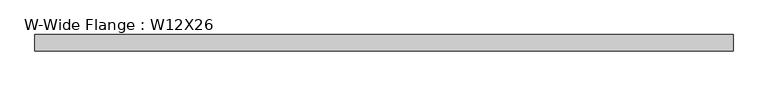
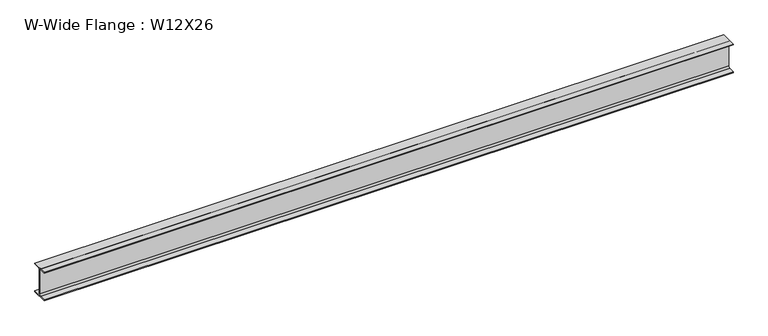
"""IFC4 building model written with IfcOpenShell, lengths in millimetres: beam geometry, W-Wide Flange : W12X26."""

from ifc_helpers import new_model, si_unit, point, frame, frame_2d, origin, place, context, project, spatial, polyline, circle_curve, trimmed, segment, composite_curve, outline, extrude, source, transform, mapped, element, save


def w_wide_flange_w12x26_c771f65e(model_context):
    return source(origin(), model_context, "Body", "SweptSolid", [
        extrude(outline(composite_curve([segment(polyline([(82.4011719, -145.5539063), (82.4011719, -155.178125), (-82.4011719, -155.178125), (-82.4011719, -145.5539063), (-20.2902344, -145.5539063)]), True, "CONTINUOUS"), segment(trimmed(circle_curve(frame_2d((-20.2902344, -128.190625)), 17.3632812), [point((-20.2902344, -145.5539063))], [point((-2.9269531, -128.190625))], True, "CARTESIAN"), True, "CONTINUOUS"), segment(polyline([(-2.9269531, -128.190625), (-2.9269531, 128.190625)]), True, "CONTINUOUS"), segment(trimmed(circle_curve(frame_2d((-20.2902344, 128.190625)), 17.3632812), [point((-2.9269531, 128.190625))], [point((-20.2902344, 145.5539062))], True, "CARTESIAN"), True, "CONTINUOUS"), segment(polyline([(-20.2902344, 145.5539062), (-82.4011719, 145.5539062), (-82.4011719, 155.178125), (82.4011719, 155.178125), (82.4011719, 145.5539062), (20.2902344, 145.5539062)]), True, "CONTINUOUS"), segment(trimmed(circle_curve(frame_2d((20.2902344, 128.190625)), 17.3632812), [point((20.2902344, 145.5539062))], [point((2.9269531, 128.190625))], True, "CARTESIAN"), True, "CONTINUOUS"), segment(polyline([(2.9269531, 128.190625), (2.9269531, -128.190625)]), True, "CONTINUOUS"), segment(trimmed(circle_curve(frame_2d((20.2902344, -128.190625)), 17.3632812), [point((2.9269531, -128.190625))], [point((20.2902344, -145.5539063))], True, "CARTESIAN"), True, "CONTINUOUS"), segment(polyline([(20.2902344, -145.5539063), (82.4011719, -145.5539063)]), True, "CONTINUOUS")], self_intersect=False)), frame((-3549.253125, 0.0, 0.0), z_axis=(1.0, 0.0, 0.0), x_axis=(0.0, 1.0, 0.0)), (0.0, 0.0, 1.0), 7111.7519531),
    ])


if __name__ == "__main__":
    model = new_model("IFC4")
    model_context = context("Model", 3, world=origin())
    ifc_project = project(units=[si_unit("LENGTHUNIT", "METRE", prefix="MILLI")], contexts=[model_context])
    site = spatial("IfcSite", under=ifc_project)
    building = spatial("IfcBuilding", under=site)
    placement = place(None, origin())
    w_wide_flange_w12x26_shape = w_wide_flange_w12x26_c771f65e(model_context)
    element("IfcBeam", 1, ObjectType="W-Wide Flange : W12X26", at=placement, inside=building, context=model_context, shape_type="MappedRepresentation", body=[
        mapped(w_wide_flange_w12x26_shape, transform((0.0, 0.0, 0.0), x_axis=(1.0, 0.0, 0.0), y_axis=(0.0, 1.0, 0.0), z_axis=(0.0, 0.0, 1.0))),
    ])
    save(model, "model.ifc")
